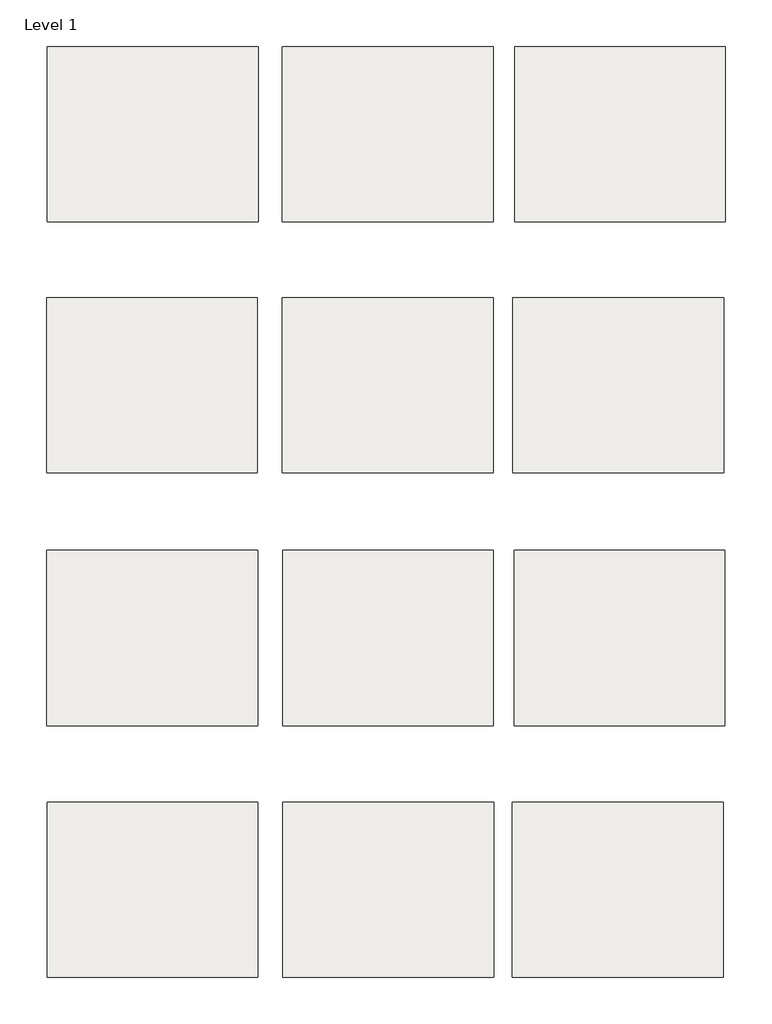
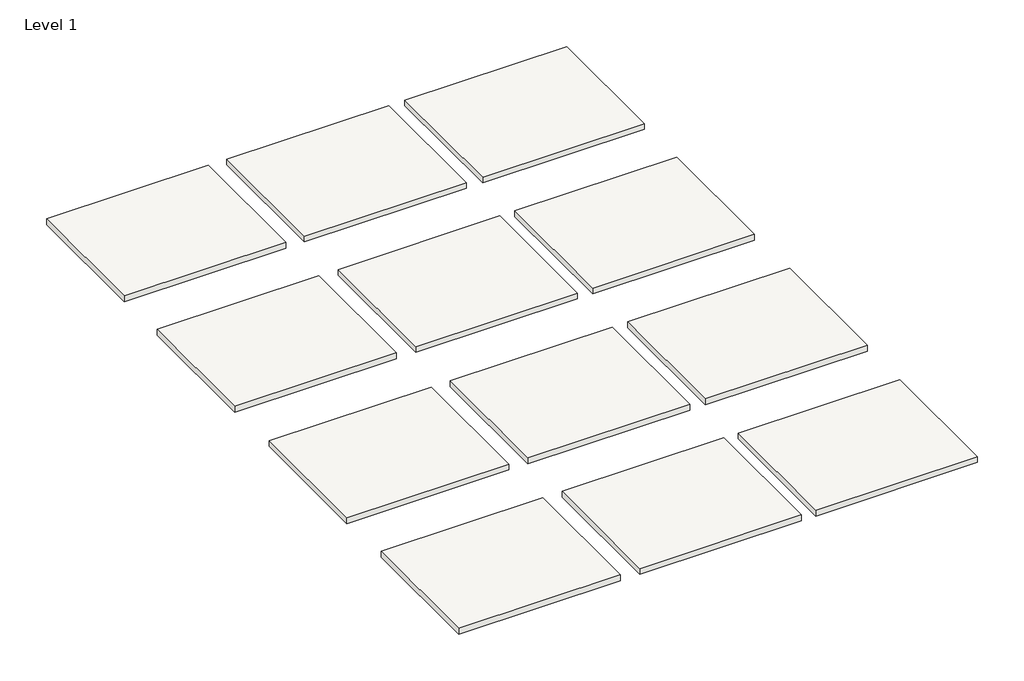
# One storey: 12 slabs.
"""IFC4 building model written with IfcOpenShell, lengths in millimetres."""

from ifc_helpers import new_model, si_unit, frame, origin, place, context, project, spatial, polyline, outline, extrude, element, save

model = new_model("IFC4")

# Units and contexts
model_context = context("Model", 3, world=origin())
ifc_project = project(units=[si_unit("LENGTHUNIT", "METRE", prefix="MILLI")], contexts=[model_context])

# Site, building, storey
site = spatial("IfcSite", under=ifc_project)
building = spatial("IfcBuilding", under=site)
storey = spatial("IfcBuildingStorey", under=building, Name="Level 1", Elevation=0.0)

# Slabs
placement = place(None, origin())
element("IfcSlab", 1, ObjectType="Edgewood Indoor ST - Easy Roll - 9/16\" Thick Black", at=placement, inside=storey, context=model_context, shape_type="SweptSolid", body=[
    extrude(outline(polyline([(-5798.2631924, 4905.8853292), (-5798.2631924, 5217.0353292), (-5423.6131924, 5217.0353292), (-5423.6131924, 4905.8853292), (-5798.2631924, 4905.8853292)])), frame((0.0, 0.0, -14.2875), z_axis=(0.0, 0.0, 1.0), x_axis=(1.0, 0.0, 0.0)), (0.0, 0.0, 1.0), 14.2875),
])
element("IfcSlab", 2, ObjectType="Edgewood Indoor ST - Easy Roll - 9/16\" Thick Blue", at=placement, inside=storey, context=model_context, shape_type="SweptSolid", body=[
    extrude(outline(polyline([(-5380.7506924, 4905.8853292), (-5380.7506924, 5217.0353292), (-5006.1006924, 5217.0353292), (-5006.1006924, 4905.8853292), (-5380.7506924, 4905.8853292)])), frame((0.0, 0.0, -14.2875), z_axis=(0.0, 0.0, 1.0), x_axis=(1.0, 0.0, 0.0)), (0.0, 0.0, 1.0), 14.2875),
])
element("IfcSlab", 3, ObjectType="Edgewood Indoor ST - Easy Roll - 9/16\" Thick Clay", at=placement, inside=storey, context=model_context, shape_type="SweptSolid", body=[
    extrude(outline(polyline([(-4968.0006924, 4905.8853292), (-4968.0006924, 5217.0353292), (-4593.3506924, 5217.0353292), (-4593.3506924, 4905.8853292), (-4968.0006924, 4905.8853292)])), frame((0.0, 0.0, -14.2875), z_axis=(0.0, 0.0, 1.0), x_axis=(1.0, 0.0, 0.0)), (0.0, 0.0, 1.0), 14.2875),
])
element("IfcSlab", 4, ObjectType="Edgewood Indoor ST - Easy Roll - 9/16\" Thick Dark Blue", at=placement, inside=storey, context=model_context, shape_type="SweptSolid", body=[
    extrude(outline(polyline([(-5799.4932931, 4459.7862481), (-5799.4932931, 4770.9362481), (-5424.8432931, 4770.9362481), (-5424.8432931, 4459.7862481), (-5799.4932931, 4459.7862481)])), frame((0.0, 0.0, -14.2875), z_axis=(0.0, 0.0, 1.0), x_axis=(1.0, 0.0, 0.0)), (0.0, 0.0, 1.0), 14.2875),
])
element("IfcSlab", 5, ObjectType="Edgewood Indoor ST - Easy Roll - 9/16\" Thick Green", at=placement, inside=storey, context=model_context, shape_type="SweptSolid", body=[
    extrude(outline(polyline([(-5380.3932931, 4459.7862481), (-5380.3932931, 4770.9362481), (-5005.7432931, 4770.9362481), (-5005.7432931, 4459.7862481), (-5380.3932931, 4459.7862481)])), frame((0.0, 0.0, -14.2875), z_axis=(0.0, 0.0, 1.0), x_axis=(1.0, 0.0, 0.0)), (0.0, 0.0, 1.0), 14.2875),
])
element("IfcSlab", 6, ObjectType="Edgewood Indoor ST - Easy Roll - 9/16\" Thick Grey", at=placement, inside=storey, context=model_context, shape_type="SweptSolid", body=[
    extrude(outline(polyline([(-4970.8182931, 4459.7862481), (-4970.8182931, 4770.9362481), (-4596.1682931, 4770.9362481), (-4596.1682931, 4459.7862481), (-4970.8182931, 4459.7862481)])), frame((0.0, 0.0, -14.2875), z_axis=(0.0, 0.0, 1.0), x_axis=(1.0, 0.0, 0.0)), (0.0, 0.0, 1.0), 14.2875),
])
element("IfcSlab", 7, ObjectType="Edgewood Indoor ST - Easy Roll - 9/16\" Thick Light Blue", at=placement, inside=storey, context=model_context, shape_type="SweptSolid", body=[
    extrude(outline(polyline([(-5799.1358939, 4010.512167), (-5799.1358939, 4321.662167), (-5424.4858939, 4321.662167), (-5424.4858939, 4010.512167), (-5799.1358939, 4010.512167)])), frame((0.0, 0.0, -14.2875), z_axis=(0.0, 0.0, 1.0), x_axis=(1.0, 0.0, 0.0)), (0.0, 0.0, 1.0), 14.2875),
])
element("IfcSlab", 8, ObjectType="Edgewood Indoor ST - Easy Roll - 9/16\" Thick Orange", at=placement, inside=storey, context=model_context, shape_type="SweptSolid", body=[
    extrude(outline(polyline([(-5380.0358939, 4010.512167), (-5380.0358939, 4321.662167), (-5005.3858939, 4321.662167), (-5005.3858939, 4010.512167), (-5380.0358939, 4010.512167)])), frame((0.0, 0.0, -14.2875), z_axis=(0.0, 0.0, 1.0), x_axis=(1.0, 0.0, 0.0)), (0.0, 0.0, 1.0), 14.2875),
])
element("IfcSlab", 9, ObjectType="Edgewood Indoor ST - Easy Roll - 9/16\" Thick Purple", at=placement, inside=storey, context=model_context, shape_type="SweptSolid", body=[
    extrude(outline(polyline([(-4968.8733939, 4010.512167), (-4968.8733939, 4321.662167), (-4594.2233939, 4321.662167), (-4594.2233939, 4010.512167), (-4968.8733939, 4010.512167)])), frame((0.0, 0.0, -14.2875), z_axis=(0.0, 0.0, 1.0), x_axis=(1.0, 0.0, 0.0)), (0.0, 0.0, 1.0), 14.2875),
])
element("IfcSlab", 10, ObjectType="Edgewood Indoor ST - Easy Roll - 9/16\" Thick Red", at=placement, inside=storey, context=model_context, shape_type="SweptSolid", body=[
    extrude(outline(polyline([(-5798.6675417, 3562.9527923), (-5798.6675417, 3874.1027923), (-5424.0175417, 3874.1027923), (-5424.0175417, 3562.9527923), (-5798.6675417, 3562.9527923)])), frame((0.0, 0.0, -14.2875), z_axis=(0.0, 0.0, 1.0), x_axis=(1.0, 0.0, 0.0)), (0.0, 0.0, 1.0), 14.2875),
])
element("IfcSlab", 11, ObjectType="Edgewood Indoor ST - Easy Roll - 9/16\" Thick White", at=placement, inside=storey, context=model_context, shape_type="SweptSolid", body=[
    extrude(outline(polyline([(-5379.5675417, 3562.9527923), (-5379.5675417, 3874.1027923), (-5004.9175417, 3874.1027923), (-5004.9175417, 3562.9527923), (-5379.5675417, 3562.9527923)])), frame((0.0, 0.0, -14.2875), z_axis=(0.0, 0.0, 1.0), x_axis=(1.0, 0.0, 0.0)), (0.0, 0.0, 1.0), 14.2875),
])
element("IfcSlab", 12, ObjectType="Edgewood Indoor ST - Easy Roll - 9/16\" Thick Yellow", at=placement, inside=storey, context=model_context, shape_type="SweptSolid", body=[
    extrude(outline(polyline([(-4971.5800417, 3562.9527923), (-4971.5800417, 3874.1027923), (-4596.9300417, 3874.1027923), (-4596.9300417, 3562.9527923), (-4971.5800417, 3562.9527923)])), frame((0.0, 0.0, -14.2875), z_axis=(0.0, 0.0, 1.0), x_axis=(1.0, 0.0, 0.0)), (0.0, 0.0, 1.0), 14.2875),
])

save(model, "model.ifc")
